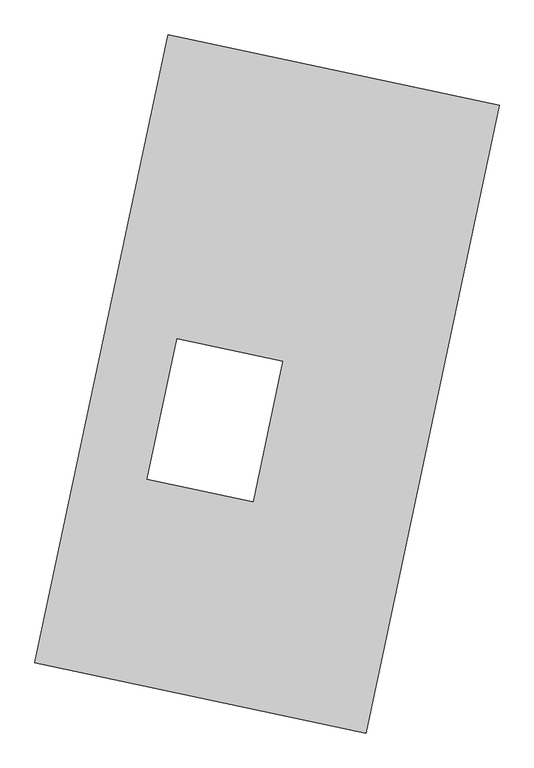
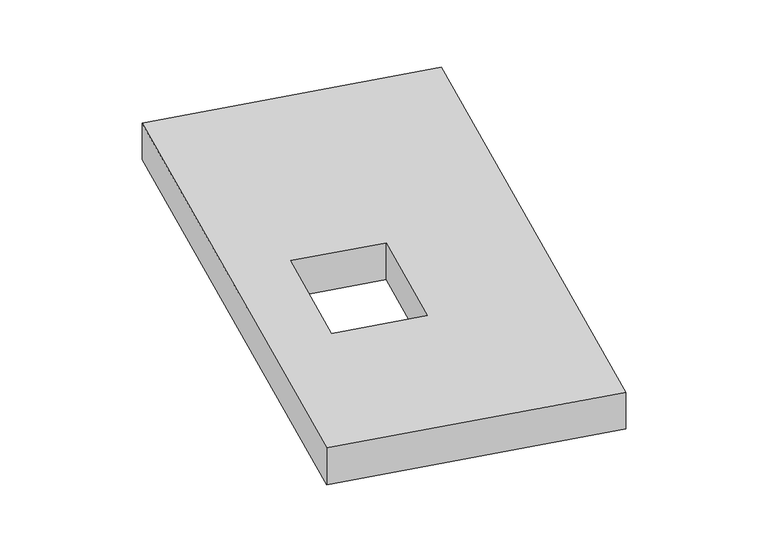
"""IFC4 building model written with IfcOpenShell, lengths in millimetres: proxy geometry."""

from ifc_helpers import new_model, si_unit, origin, origin_with_axes, place, context, project, spatial, polyline, outline, extrude, source, transform, mapped, element, save


def generic_models_bc34db42(model_context):
    return source(origin(), model_context, "Body", "SweptSolid", [
        extrude(outline(polyline([(-617.3692021, 2175.5580432), (1447.7508745, 1737.3010494), (617.3692021, -2175.5580432), (-1447.7508745, -1737.3010494), (-617.3692021, 2175.5580432)]), holes=[polyline([(98.2090937, 142.9259269), (-560.751013, 282.7695509), (-746.6076402, -593.0094043), (-87.6475334, -732.8530283), (98.2090937, 142.9259269)])]), origin_with_axes(), (0.0, 0.0, 1.0), 300.0),
    ])


if __name__ == "__main__":
    model = new_model("IFC4")
    model_context = context("Model", 3, world=origin())
    ifc_project = project(units=[si_unit("LENGTHUNIT", "METRE", prefix="MILLI")], contexts=[model_context])
    site = spatial("IfcSite", under=ifc_project)
    building = spatial("IfcBuilding", under=site)
    placement = place(None, origin())
    generic_models_shape = generic_models_bc34db42(model_context)
    element("IfcBuildingElementProxy", 1, Name="Generic Models", at=placement, inside=building, context=model_context, shape_type="MappedRepresentation", body=[
        mapped(generic_models_shape, transform((0.0, 0.0, 0.0), x_axis=(1.0, 0.0, 0.0), y_axis=(0.0, 1.0, 0.0), z_axis=(0.0, 0.0, 1.0))),
    ])
    save(model, "model.ifc")
